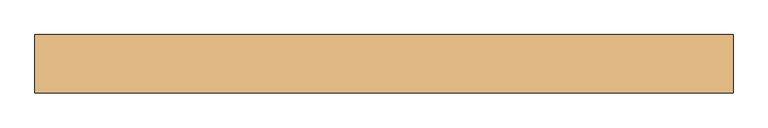
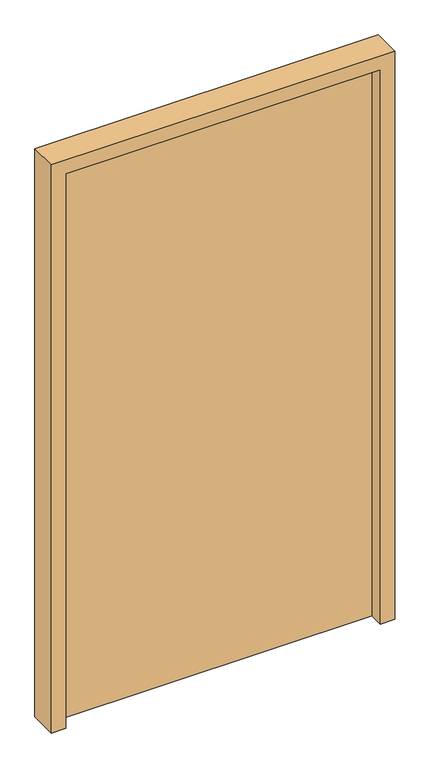
"""IFC4 building model written with IfcOpenShell, lengths in millimetres: door geometry."""

from ifc_helpers import new_model, si_unit, frame, origin, origin_with_axes, place, context, project, spatial, polyline, outline, extrude, source, transform, mapped, element, save


def door_9d3fb36d(model_context):
    return source(origin(), model_context, "Body", "SweptSolid", [
        extrude(outline(polyline([(550.0, 100.0), (550.0, 50.0), (-550.0, 50.0), (-550.0, 100.0), (550.0, 100.0)])), origin_with_axes(), (0.0, 0.0, 1.0), 2050.0),
        extrude(outline(polyline([(0.0, -600.0), (0.0, -550.0), (2050.0, -550.0), (2050.0, 550.0), (0.0, 550.0), (0.0, 600.0), (2100.0, 600.0), (2100.0, -600.0), (0.0, -600.0)])), frame((0.0, 0.0, 0.0), z_axis=(0.0, 1.0, 0.0), x_axis=(0.0, 0.0, 1.0)), (0.0, 0.0, 1.0), 100.0),
    ])


if __name__ == "__main__":
    model = new_model("IFC4")
    model_context = context("Model", 3, world=origin())
    ifc_project = project(units=[si_unit("LENGTHUNIT", "METRE", prefix="MILLI")], contexts=[model_context])
    site = spatial("IfcSite", under=ifc_project)
    building = spatial("IfcBuilding", under=site)
    placement = place(None, origin())
    door_shape = door_9d3fb36d(model_context)
    element("IfcDoor", 1, at=placement, inside=building, context=model_context, shape_type="MappedRepresentation", body=[
        mapped(door_shape, transform((0.0, 0.0, 0.0), x_axis=(1.0, 0.0, 0.0), y_axis=(0.0, 1.0, 0.0), z_axis=(0.0, 0.0, 1.0))),
    ])
    save(model, "model.ifc")
